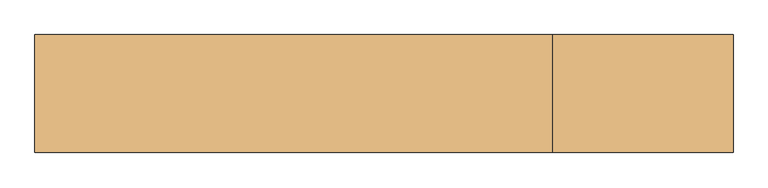
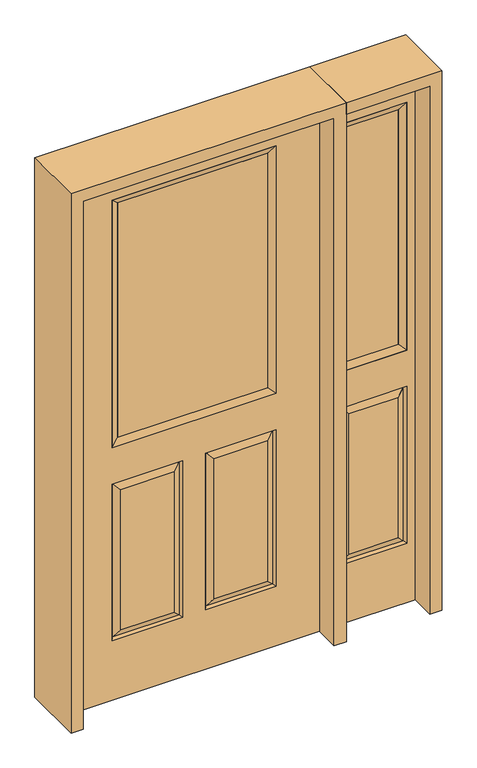
"""IFC4 building model written with IfcOpenShell, lengths in millimetres: door geometry."""

from ifc_helpers import new_model, si_unit, frame, origin, place, context, project, spatial, polyline, outline, extrude, faceted_brep, source, transform, mapped, element, save


def door_3e1fae7e(model_context):
    return source(origin(), model_context, "Body", "SolidModel", [
        faceted_brep([(-457.2, -22.225, 0.0), (457.2, -22.225, 0.0), (457.2, -22.225, 2032.0), (-457.2, -22.225, 2032.0), (-299.339, -22.225, 971.55), (-299.339, -22.225, 1925.574), (299.339, -22.225, 1925.574), (299.339, -22.225, 971.55), (-299.339, -22.225, 831.85), (-41.275, -22.225, 831.85), (-41.275, -22.225, 228.6), (-299.339, -22.225, 228.6), (41.275, -22.225, 831.85), (299.339, -22.225, 831.85), (299.339, -22.225, 228.6), (41.275, -22.225, 228.6), (-73.025, -22.225, 800.1), (-267.589, -22.225, 800.1), (-267.589, -22.225, 260.35), (-73.025, -22.225, 260.35), (267.589, -22.225, 800.1), (73.025, -22.225, 800.1), (73.025, -22.225, 260.35), (267.589, -22.225, 260.35), (-457.2, 22.225, 0.0), (457.2, 22.225, 0.0), (457.2, 22.225, 2032.0), (-457.2, 22.225, 2032.0), (-299.339, 22.225, 971.55), (-299.339, 22.225, 1925.574), (299.339, 22.225, 1925.574), (299.339, 22.225, 971.55), (-41.275, 22.225, 831.85), (-299.339, 22.225, 831.85), (-299.339, 22.225, 228.6), (-41.275, 22.225, 228.6), (299.339, 22.225, 831.85), (41.275, 22.225, 831.85), (41.275, 22.225, 228.6), (299.339, 22.225, 228.6), (-267.589, 22.225, 800.1), (-73.025, 22.225, 800.1), (-73.025, 22.225, 260.35), (-267.589, 22.225, 260.35), (73.025, 22.225, 800.1), (267.589, 22.225, 800.1), (267.589, 22.225, 260.35), (73.025, 22.225, 260.35), (-48.41875, -12.7449236, 824.70625), (-292.19525, -12.7449236, 824.70625), (-292.19525, -12.7449236, 235.74375), (-48.41875, -12.7449236, 235.74375), (292.19525, -12.7449236, 824.70625), (48.41875, -12.7449236, 824.70625), (48.41875, -12.7449236, 235.74375), (292.19525, -12.7449236, 235.74375), (-292.19525, 12.7449236, 824.70625), (-48.41875, 12.7449236, 824.70625), (-48.41875, 12.7449236, 235.74375), (-292.19525, 12.7449236, 235.74375), (48.41875, 12.7449236, 824.70625), (292.19525, 12.7449236, 824.70625), (292.19525, 12.7449236, 235.74375), (48.41875, 12.7449236, 235.74375)], [[[0, 1, 2, 3], [4, 5, 6, 7], [8, 9, 10, 11], [12, 13, 14, 15]], [[16, 17, 18, 19]], [[20, 21, 22, 23]], [[1, 0, 24, 25]], [[2, 1, 25, 26]], [[0, 3, 27, 24]], [[5, 4, 28, 29]], [[7, 6, 30, 31]], [[4, 7, 31, 28]], [[24, 27, 26, 25], [28, 31, 30, 29], [32, 33, 34, 35], [36, 37, 38, 39]], [[40, 41, 42, 43]], [[44, 45, 46, 47]], [[3, 2, 26, 27]], [[6, 5, 29, 30]], [[16, 48, 49, 17]], [[17, 49, 50, 18]], [[51, 19, 18, 50]], [[48, 16, 19, 51]], [[49, 48, 9, 8]], [[9, 48, 51, 10]], [[10, 51, 50, 11]], [[49, 8, 11, 50]], [[52, 53, 21, 20]], [[21, 53, 54, 22]], [[22, 54, 55, 23]], [[52, 20, 23, 55]], [[53, 52, 13, 12]], [[13, 52, 55, 14]], [[54, 15, 14, 55]], [[53, 12, 15, 54]], [[56, 57, 41, 40]], [[41, 57, 58, 42]], [[42, 58, 59, 43]], [[56, 40, 43, 59]], [[57, 56, 33, 32]], [[33, 56, 59, 34]], [[58, 35, 34, 59]], [[57, 32, 35, 58]], [[44, 60, 61, 45]], [[45, 61, 62, 46]], [[63, 47, 46, 62]], [[60, 44, 47, 63]], [[61, 60, 37, 36]], [[37, 60, 63, 38]], [[38, 63, 62, 39]], [[61, 36, 39, 62]]]),
        extrude(outline(polyline([(273.939, -12.7), (-273.939, -12.7), (-273.939, 12.7), (273.939, 12.7), (273.939, -12.7)])), frame((0.0, 0.0, 996.95), z_axis=(0.0, 0.0, 1.0), x_axis=(1.0, 0.0, 0.0)), (0.0, 0.0, 1.0), 903.224),
        faceted_brep([(-299.339, -22.225, 1925.574), (-299.339, 22.225, 1925.574), (-299.339, 22.225, 971.55), (-299.339, -22.225, 971.55), (299.339, 22.225, 971.55), (299.339, -22.225, 971.55), (-273.939, 12.7, 996.95), (273.939, 12.7, 996.95), (299.339, 22.225, 1925.574), (299.339, -22.225, 1925.574), (-273.939, -12.7, 996.95), (273.939, -12.7, 996.95), (-273.939, -12.7, 1900.174), (273.939, -12.7, 1900.174), (-273.939, 12.7, 1900.174), (273.939, 12.7, 1900.174)], [[[0, 1, 2, 3]], [[3, 2, 4, 5]], [[2, 6, 7, 4]], [[5, 4, 8, 9]], [[10, 3, 5, 11]], [[12, 0, 3, 10]], [[11, 5, 9, 13]], [[6, 10, 11, 7]], [[14, 12, 10, 6]], [[7, 11, 13, 15]], [[1, 14, 6, 2]], [[4, 7, 15, 8]], [[9, 8, 1, 0]], [[13, 9, 0, 12]], [[15, 13, 12, 14]], [[8, 15, 14, 1]]]),
        faceted_brep([(806.45, -22.225, 0.0), (806.45, -22.225, 2032.0), (501.65, -22.225, 2032.0), (501.65, -22.225, 0.0), (532.638, -22.225, 1925.574), (775.462, -22.225, 1925.574), (775.462, -22.225, 971.55), (532.638, -22.225, 971.55), (532.638, -22.225, 228.6), (532.638, -22.225, 831.85), (775.462, -22.225, 831.85), (775.462, -22.225, 228.6), (743.5559872, -22.225, 260.5060128), (743.5559872, -22.225, 799.9439872), (564.5440128, -22.225, 799.9439872), (564.5440128, -22.225, 260.5060128), (501.65, 22.225, 0.0), (806.45, 22.225, 0.0), (501.65, 22.225, 2032.0), (806.45, 22.225, 2032.0), (532.638, 22.225, 971.55), (532.638, 22.225, 1925.574), (775.462, 22.225, 971.55), (775.462, 22.225, 1925.574), (775.462, 22.225, 228.6), (775.462, 22.225, 831.85), (532.638, 22.225, 831.85), (532.638, 22.225, 228.6), (564.5440128, 22.225, 260.5060128), (564.5440128, 22.225, 799.9439872), (743.5559872, 22.225, 799.9439872), (743.5559872, 22.225, 260.5060128), (768.5419933, -13.0418409, 235.5200067), (539.5580067, -13.0418409, 235.5200067), (768.5419933, -13.0418409, 824.9299933), (539.5580067, -13.0418409, 824.9299933), (768.5419933, 13.0418409, 235.5200067), (539.5580067, 13.0418409, 235.5200067), (539.5580067, 13.0418409, 824.9299933), (768.5419933, 13.0418409, 824.9299933)], [[[0, 1, 2, 3], [4, 5, 6, 7], [8, 9, 10, 11]], [[12, 13, 14, 15]], [[3, 16, 17, 0]], [[2, 18, 16, 3]], [[0, 17, 19, 1]], [[7, 20, 21, 4]], [[6, 22, 20, 7]], [[5, 23, 22, 6]], [[17, 16, 18, 19], [21, 20, 22, 23], [24, 25, 26, 27]], [[28, 29, 30, 31]], [[1, 19, 18, 2]], [[4, 21, 23, 5]], [[8, 11, 32, 33]], [[11, 10, 34, 32]], [[35, 34, 10, 9]], [[33, 35, 9, 8]], [[32, 12, 15, 33]], [[15, 14, 35, 33]], [[14, 13, 34, 35]], [[32, 34, 13, 12]], [[36, 24, 27, 37]], [[27, 26, 38, 37]], [[26, 25, 39, 38]], [[36, 39, 25, 24]], [[37, 28, 31, 36]], [[31, 30, 39, 36]], [[38, 39, 30, 29]], [[37, 38, 29, 28]]]),
        extrude(outline(polyline([(558.038, -12.7), (558.038, 12.7), (750.062, 12.7), (750.062, -12.7), (558.038, -12.7)])), frame((0.0, 0.0, 996.95), z_axis=(0.0, 0.0, 1.0), x_axis=(1.0, 0.0, 0.0)), (0.0, 0.0, 1.0), 903.224),
        faceted_brep([(775.462, -22.225, 1925.574), (775.462, -22.225, 971.55), (775.462, 22.225, 971.55), (775.462, 22.225, 1925.574), (532.638, -22.225, 971.55), (532.638, 22.225, 971.55), (558.038, 12.7, 996.95), (750.062, 12.7, 996.95), (532.638, -22.225, 1925.574), (532.638, 22.225, 1925.574), (750.062, -12.7, 996.95), (558.038, -12.7, 996.95), (750.062, -12.7, 1900.174), (558.038, -12.7, 1900.174), (750.062, 12.7, 1900.174), (558.038, 12.7, 1900.174)], [[[0, 1, 2, 3]], [[1, 4, 5, 2]], [[2, 5, 6, 7]], [[4, 8, 9, 5]], [[10, 11, 4, 1]], [[12, 10, 1, 0]], [[11, 13, 8, 4]], [[7, 6, 11, 10]], [[14, 7, 10, 12]], [[6, 15, 13, 11]], [[3, 2, 7, 14]], [[5, 9, 15, 6]], [[8, 0, 3, 9]], [[13, 12, 0, 8]], [[15, 14, 12, 13]], [[9, 3, 14, 15]]]),
        extrude(outline(polyline([(2076.45, 501.65), (2032.0, 501.65), (2032.0, 806.45), (0.0, 806.45), (0.0, 850.9), (2076.45, 850.9), (2076.45, 501.65)])), frame((0.0, -114.3, 0.0), z_axis=(0.0, 1.0, 0.0), x_axis=(0.0, 0.0, 1.0)), (0.0, 0.0, 1.0), 228.6),
        extrude(outline(polyline([(0.0, -501.65), (0.0, -457.2), (2032.0, -457.2), (2032.0, 457.2), (0.0, 457.2), (0.0, 501.65), (2076.45, 501.65), (2076.45, -501.65), (0.0, -501.65)])), frame((0.0, -114.3, 0.0), z_axis=(0.0, 1.0, 0.0), x_axis=(0.0, 0.0, 1.0)), (0.0, 0.0, 1.0), 228.6),
    ])


if __name__ == "__main__":
    model = new_model("IFC4")
    model_context = context("Model", 3, world=origin())
    ifc_project = project(units=[si_unit("LENGTHUNIT", "METRE", prefix="MILLI")], contexts=[model_context])
    site = spatial("IfcSite", under=ifc_project)
    building = spatial("IfcBuilding", under=site)
    placement = place(None, origin())
    door_shape = door_3e1fae7e(model_context)
    element("IfcDoor", 1, at=placement, inside=building, context=model_context, shape_type="MappedRepresentation", body=[
        mapped(door_shape, transform((0.0, 0.0, 0.0), x_axis=(1.0, 0.0, 0.0), y_axis=(0.0, 1.0, 0.0), z_axis=(0.0, 0.0, 1.0))),
    ])
    save(model, "model.ifc")
